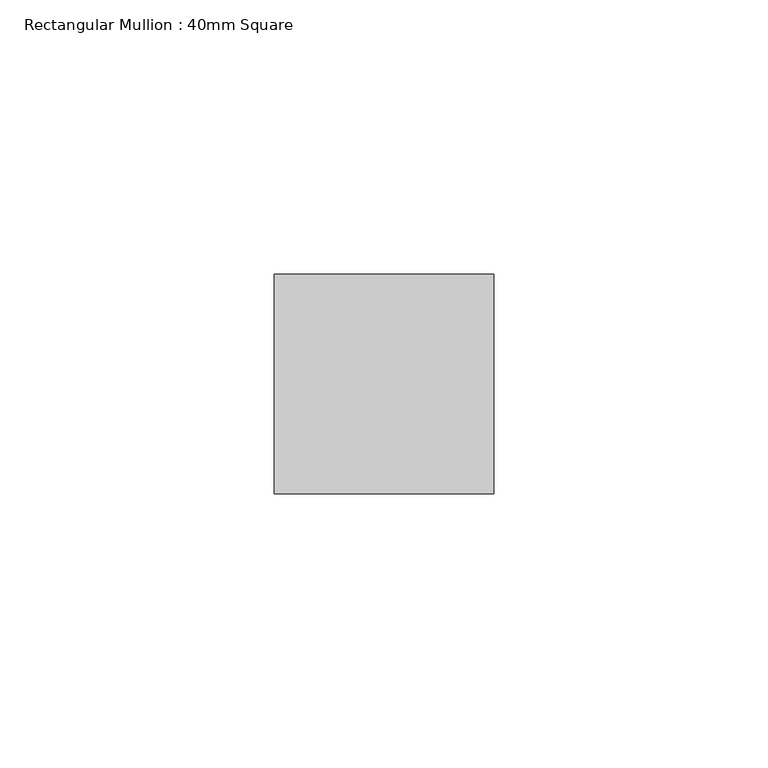
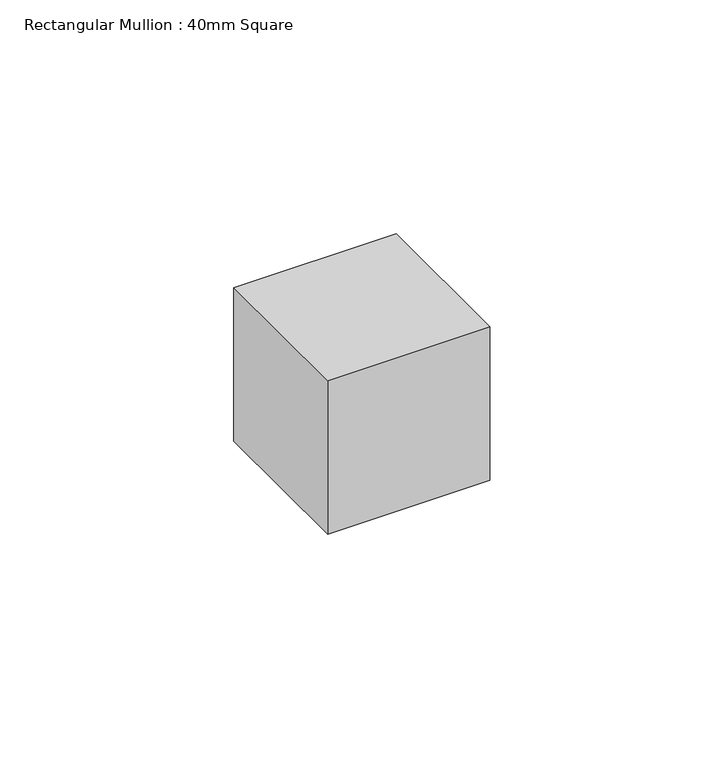
"""IFC4 building model written with IfcOpenShell, lengths in millimetres: member geometry, Rectangular Mullion : 40mm Square."""

from ifc_helpers import new_model, si_unit, frame, origin, place, context, project, spatial, polyline, outline, extrude, source, transform, mapped, element, save


def rectangular_mullion_40mm_square_0cd92f56(model_context):
    return source(origin(), model_context, "Body", "SweptSolid", [
        extrude(outline(polyline([(0.0, 20.0), (0.0, -20.0), (-40.0, -20.0), (-40.0, 20.0), (0.0, 20.0)])), frame((0.0, 0.0, -40.0), z_axis=(0.0, 0.0, 1.0), x_axis=(1.0, 0.0, 0.0)), (0.0, 0.0, 1.0), 40.0),
    ])


if __name__ == "__main__":
    model = new_model("IFC4")
    model_context = context("Model", 3, world=origin())
    ifc_project = project(units=[si_unit("LENGTHUNIT", "METRE", prefix="MILLI")], contexts=[model_context])
    site = spatial("IfcSite", under=ifc_project)
    building = spatial("IfcBuilding", under=site)
    placement = place(None, origin())
    rectangular_mullion_40mm_square_shape = rectangular_mullion_40mm_square_0cd92f56(model_context)
    element("IfcMember", 1, ObjectType="Rectangular Mullion : 40mm Square", at=placement, inside=building, context=model_context, shape_type="MappedRepresentation", body=[
        mapped(rectangular_mullion_40mm_square_shape, transform((0.0, 0.0, 0.0), x_axis=(1.0, 0.0, 0.0), y_axis=(0.0, 1.0, 0.0), z_axis=(0.0, 0.0, 1.0))),
    ])
    save(model, "model.ifc")
